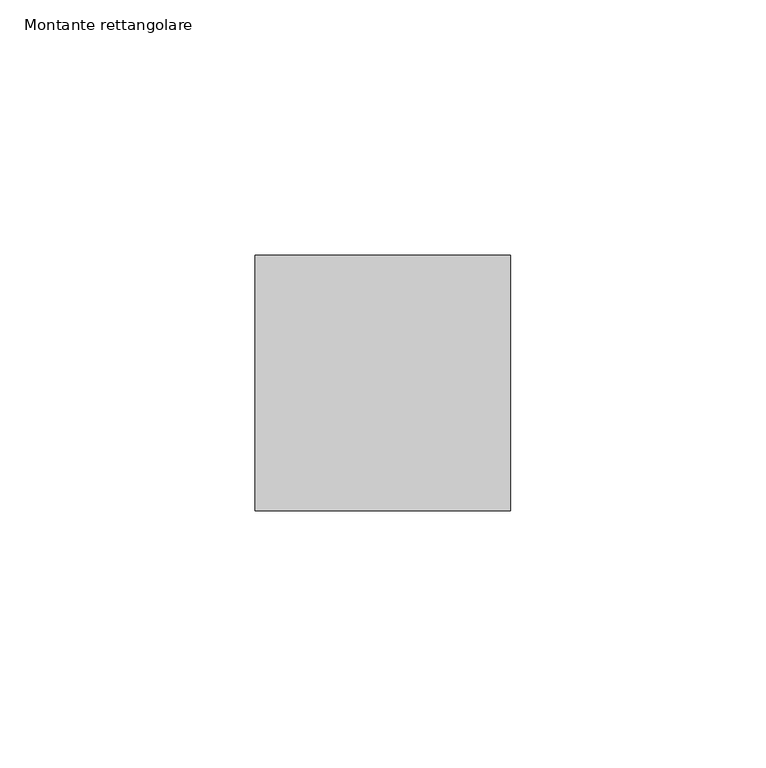
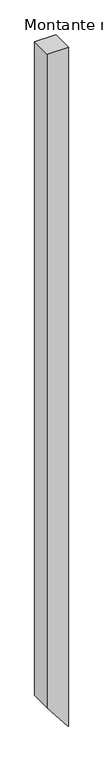
"""IFC4 building model written with IfcOpenShell, lengths in millimetres: member geometry, Montante rettangolare."""

from ifc_helpers import new_model, si_unit, frame, origin, place, context, project, spatial, polyline, outline, extrude, source, transform, mapped, element, save


def montante_rettangolare_824a6c1d(model_context):
    return source(origin(), model_context, "Body", "SweptSolid", [
        extrude(outline(polyline([(0.0, 25.0), (0.0, -25.0), (-1620.4116549, -25.0), (-1683.6236579, 24.3866294), (-1683.6236579, 25.0), (0.0, 25.0)])), frame((0.0, -25.0, 0.0), z_axis=(0.0, 1.0, 0.0), x_axis=(0.0, 0.0, 1.0)), (0.0, 0.0, 1.0), 50.0),
    ])


if __name__ == "__main__":
    model = new_model("IFC4")
    model_context = context("Model", 3, world=origin())
    ifc_project = project(units=[si_unit("LENGTHUNIT", "METRE", prefix="MILLI")], contexts=[model_context])
    site = spatial("IfcSite", under=ifc_project)
    building = spatial("IfcBuilding", under=site)
    placement = place(None, origin())
    montante_rettangolare_shape = montante_rettangolare_824a6c1d(model_context)
    element("IfcMember", 1, ObjectType="Montante rettangolare", at=placement, inside=building, context=model_context, shape_type="MappedRepresentation", body=[
        mapped(montante_rettangolare_shape, transform((0.0, 0.0, 0.0), x_axis=(1.0, 0.0, 0.0), y_axis=(0.0, 1.0, 0.0), z_axis=(0.0, 0.0, 1.0))),
    ])
    save(model, "model.ifc")
